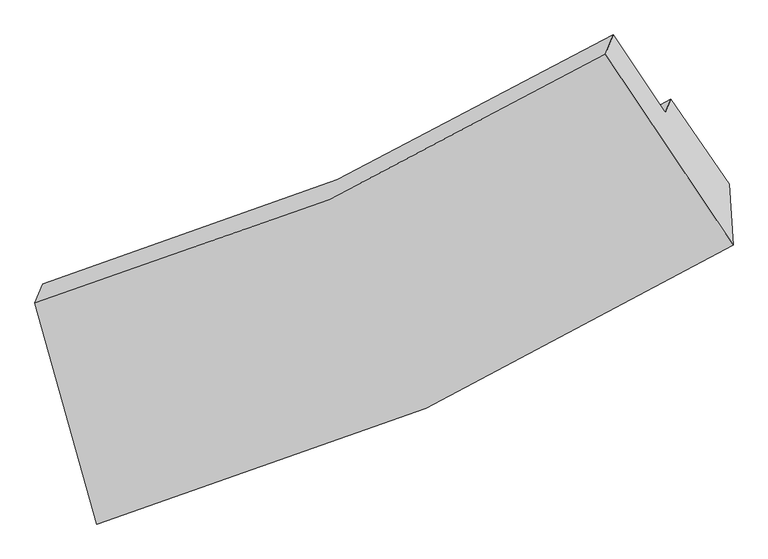
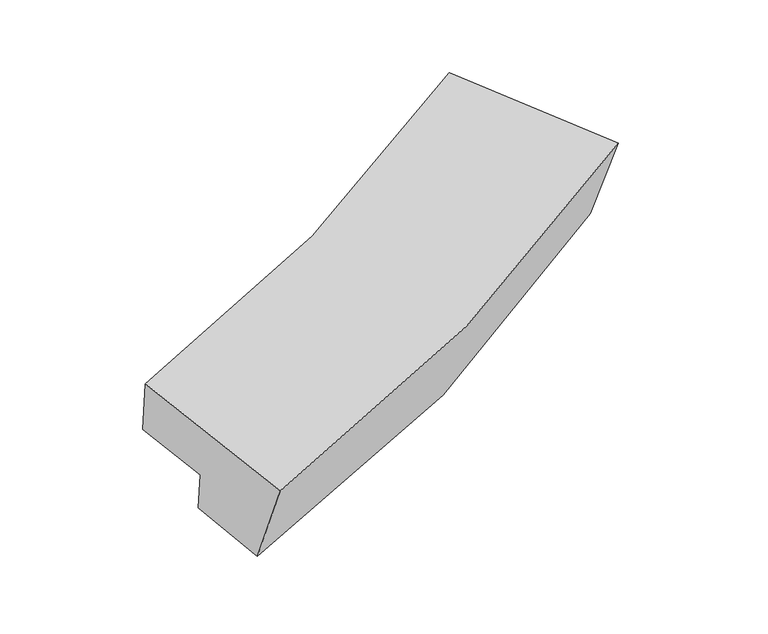
"""IFC4 building model written with IfcOpenShell, lengths in millimetres: proxy geometry."""

from ifc_helpers import new_model, si_unit, frame, origin, place, context, project, spatial, source, transform, mapped, element, save
from ifc_brep_helpers import plane_surface, spline_curve, spline_surface, advanced_brep


def generic_models_c1887b4c(model_context):
    return source(origin(), model_context, "Body", "AdvancedBrep", [
        advanced_brep(
        [(-1806.7610072, -3363.3684616, 1911.1331246), (-1773.1966975, -2943.5094343, 1010.0406501), (2308.3480492, -1147.748801, 1808.162872), (2334.9333884, -1544.9517437, 2724.4630756), (-2210.3059397, -1924.4517817, 2214.8545185), (1503.5843993, -303.4412975, 2941.1175363), (-2160.2271966, -1797.9097289, 1681.8843336), (1553.9882081, -176.0778487, 2404.6877932), (-1988.2195533, -2411.2358968, 1552.4256365), (1893.7069087, -683.4030769, 2316.1550917), (-1951.8621942, -2319.3658821, 1165.4872421), (1928.9696524, -594.299004, 1940.8662991)],
        [
            (0, 1),
            (1, 2, spline_curve(3, [(-1773.1966975, -2943.5094343, 1010.0406501), (-1041.339638893, -2758.742043823, 1133.227872489), (-335.477173408, -2516.83988196, 1261.287400691), (1025.102301856, -1918.394903448, 1527.316040408), (1679.754752309, -1561.710187446, 1665.297252833), (2308.3480492, -1147.748801, 1808.162872)], [4, 2, 4], [0.0, 7.507319230809467, 15.023955219462128])),
            (2, 3),
            (3, 0, spline_curve(3, [(2334.9333884, -1544.9517437, 2724.4630756), (1691.738069483, -1951.505596125, 2577.482062901), (1024.770446018, -2306.379191003, 2436.175546601), (-355.853246613, -2912.390062592, 2165.079621258), (-1069.450421949, -3163.655373625, 2035.276153849), (-1806.7610072, -3363.3684616, 1911.1331246)], [4, 2, 4], [0.0, 7.51663598865266, 15.023955219462128])),
            (4, 0),
            (3, 5),
            (5, 4, spline_curve(3, [(1503.5843993, -303.4412975, 2941.1175363), (924.506297218, -662.883699231, 2811.346659629), (325.271969315, -977.745247696, 2685.904454408), (-912.741412592, -1517.971629626, 2443.827505804), (-1551.470531112, -1743.446909029, 2327.182038366), (-2210.3059397, -1924.4517817, 2214.8545185)], [4, 2, 4], [0.0, 7.172532173613587, 14.336174100914201])),
            (6, 4),
            (5, 7),
            (7, 6, spline_curve(3, [(1553.9882081, -176.0778487, 2404.6877932), (975.130363776, -534.963689223, 2272.57279104), (375.978974151, -849.615664336, 2146.247904251), (-862.143103223, -1390.116704663, 1905.327762195), (-1501.06351526, -1616.075356277, 1790.718162518), (-2160.2271966, -1797.9097289, 1681.8843336)], [4, 2, 4], [0.0, 6.7746807932097495, 13.54096447093984])),
            (8, 6),
            (7, 9),
            (9, 8, spline_curve(3, [(1893.7069087, -683.4030769, 2316.1550917), (1298.713599599, -1074.037315343, 2156.485486925), (677.50622003, -1413.398016066, 2012.977111686), (-616.53421103, -1989.215262806, 1758.440664996), (-1289.30231862, -2225.798835124, 1647.372555179), (-1988.2195533, -2411.2358968, 1552.4256365)], [4, 2, 4], [0.0, 6.945572078519214, 13.882535224367523])),
            (10, 8),
            (9, 11),
            (11, 10, spline_curve(3, [(1928.9696524, -594.299004, 1940.8662991), (1332.820874433, -987.8529527, 1793.493938168), (711.127449719, -1328.441822198, 1655.158367258), (-582.546451013, -1903.332897217, 1396.721069646), (-1254.463642017, -2137.766320506, 1276.596954926), (-1951.8621942, -2319.3658821, 1165.4872421)], [4, 2, 4], [0.0, 7.114224134032698, 14.219630293695072])),
            (1, 10),
            (11, 2),
        ],
        [
            spline_surface(3, 3, [[(-1806.7610072, -3363.3684616, 1911.1331246), (-1069.450422019, -3163.655373563, 2035.276153768), (-355.853246715, -2912.390062565, 2165.079621193), (1024.77044612, -2306.379191029, 2436.175546666), (1691.738069363, -1951.505596027, 2577.482062916), (2334.9333884, -1544.9517437, 2724.4630756)], [(-1795.57290395, -3223.415452514, 1610.768966445), (-1060.080160924, -3028.684263688, 1734.593393317), (-349.061222322, -2780.540002388, 1863.815547655), (1024.881064693, -2177.051095153, 2133.22237792), (1687.743630313, -1821.573793175, 2273.420459583), (2326.071608673, -1412.550762777, 2419.029674425)], [(-1784.38480075, -3083.462443386, 1310.404808255), (-1050.709899877, -2893.713153771, 1433.910632831), (-342.269197857, -2648.689942197, 1562.551474163), (1024.991683339, -2047.722999265, 1830.26920922), (1683.749191244, -1691.641990393, 1969.358856176), (2317.209828927, -1280.149781923, 2113.596273175)], [(-1773.1966975, -2943.5094343, 1010.0406501), (-1041.339638782, -2758.742043896, 1133.22787238), (-335.477173464, -2516.839882019, 1261.287400625), (1025.102301912, -1918.394903389, 1527.316040474), (1679.754752194, -1561.710187541, 1665.297252843), (2308.3480492, -1147.748801, 1808.162872)]], [4, 4], [4, 2, 4], [0.0, 3.2395982512280845], [0.0, 7.507319230809467, 15.023955219462128]),
            spline_surface(3, 3, [[(-2210.3059397, -1924.4517817, 2214.8545185), (-1551.470531141, -1743.446909133, 2327.182038329), (-912.741412661, -1517.971629645, 2443.827505802), (325.271969385, -977.745247677, 2685.904454411), (924.506297242, -662.88369912, 2811.346659526), (1503.5843993, -303.4412975, 2941.1175363)], [(-2075.790962207, -2404.09067499, 2113.614053853), (-1390.797161441, -2216.849730599, 2229.880076795), (-727.112023998, -1982.777773962, 2350.911544275), (558.438128311, -1420.623228805, 2602.661485173), (1180.250221271, -1092.424331439, 2733.391793965), (1780.700728988, -717.278112917, 2868.899382709)], [(-1941.275984693, -2883.72956831, 2012.373589247), (-1230.123791719, -2690.252552096, 2132.578115303), (-541.482635378, -2447.583918248, 2257.995582719), (791.604287194, -1863.501209901, 2519.418515905), (1435.994145334, -1521.964963708, 2655.436928477), (2057.817058712, -1131.114928283, 2796.681229191)], [(-1806.7610072, -3363.3684616, 1911.1331246), (-1069.450422019, -3163.655373563, 2035.276153768), (-355.853246715, -2912.390062565, 2165.079621193), (1024.77044612, -2306.379191029, 2436.175546666), (1691.738069363, -1951.505596027, 2577.482062916), (2334.9333884, -1544.9517437, 2724.4630756)]], [4, 4], [4, 2, 4], [0.0, 4.9952797730892025], [0.0, 7.163641927300614, 14.336174100914201]),
            spline_surface(3, 3, [[(-2160.2271966, -1797.9097289, 1681.8843336), (-1501.063515183, -1616.075356255, 1790.718162595), (-862.143103275, -1390.116704641, 1905.327762265), (375.978974204, -849.615664358, 2146.247904181), (975.130363867, -534.963689281, 2272.572791024), (1553.9882081, -176.0778487, 2404.6877932)], [(-2176.920110956, -1840.090413168, 1859.541061909), (-1517.865853825, -1658.532540549, 1969.539454516), (-879.009206396, -1432.735012948, 2084.827676768), (359.076639272, -892.325525437, 2326.133420916), (958.255675003, -577.603692573, 2452.16408053), (1537.186938511, -218.532331646, 2583.497707572)], [(-2193.613025344, -1882.271097432, 2037.197790191), (-1534.668192499, -1700.989724839, 2148.360746409), (-895.87530954, -1475.353321338, 2264.327591298), (342.174304317, -935.035386599, 2506.018937677), (941.380986106, -620.243695828, 2631.75537002), (1520.385668889, -260.986814554, 2762.307621928)], [(-2210.3059397, -1924.4517817, 2214.8545185), (-1551.470531141, -1743.446909133, 2327.182038329), (-912.741412661, -1517.971629645, 2443.827505802), (325.271969385, -977.745247677, 2685.904454411), (924.506297242, -662.88369912, 2811.346659526), (1503.5843993, -303.4412975, 2941.1175363)]], [4, 4], [4, 2, 4], [0.0, 1.8253791791324236], [0.0, 6.766283677730091, 13.54096447093984]),
            spline_surface(3, 3, [[(-1988.2195533, -2411.2358968, 1552.4256365), (-1289.302318681, -2225.798835161, 1647.372555236), (-616.534210981, -1989.215262697, 1758.440664986), (677.506219982, -1413.398016175, 2012.977111696), (1298.713599602, -1074.037315369, 2156.485486975), (1893.7069087, -683.4030769, 2316.1550917)], [(-2045.555434403, -2206.793840826, 1595.578535545), (-1359.889384185, -2022.557675518, 1695.154424367), (-698.403841769, -1789.515743362, 1807.403030748), (576.997138032, -1225.470565586, 2057.400709193), (1190.852521012, -894.346106659, 2195.181254995), (1780.467341821, -514.294667486, 2345.665992204)], [(-2102.891315497, -2002.351784874, 1638.731434555), (-1430.47644968, -1819.316515898, 1742.936293463), (-780.273472487, -1589.816223976, 1856.365396503), (476.488056153, -1037.543114946, 2101.824306684), (1082.991442457, -714.65489799, 2233.877023004), (1667.227774979, -345.186258114, 2375.176892696)], [(-2160.2271966, -1797.9097289, 1681.8843336), (-1501.063515183, -1616.075356255, 1790.718162595), (-862.143103275, -1390.116704641, 1905.327762265), (375.978974204, -849.615664358, 2146.247904181), (975.130363867, -534.963689281, 2272.572791024), (1553.9882081, -176.0778487, 2404.6877932)]], [4, 4], [4, 2, 4], [0.0, 2.15769974113047], [0.0, 6.936963145848309, 13.882535224367523]),
            spline_surface(3, 3, [[(-1951.8621942, -2319.3658821, 1165.4872421), (-1254.463641923, -2137.766320551, 1276.596954845), (-582.54645099, -1903.332897327, 1396.721069648), (711.127449695, -1328.441822088, 1655.158367256), (1332.820874331, -987.85295264, 1793.49393814), (1928.9696524, -594.299004, 1940.8662991)], [(-1963.981313919, -2349.989220335, 1294.466706876), (-1266.076534194, -2167.11049209, 1400.188821618), (-593.875704289, -1931.960352439, 1517.294268097), (699.920373155, -1356.760553439, 1774.431282071), (1321.45178276, -1016.58107355, 1914.49112109), (1917.215404506, -624.000361634, 2065.962563305)], [(-1976.100433581, -2380.612558565, 1423.446171724), (-1277.68942641, -2196.454663622, 1523.780688463), (-605.204957682, -1960.587807585, 1637.867466538), (688.713296522, -1385.079284824, 1893.70419688), (1310.082691173, -1045.309194458, 2035.488304026), (1905.461156594, -653.701719266, 2191.058827495)], [(-1988.2195533, -2411.2358968, 1552.4256365), (-1289.302318681, -2225.798835161, 1647.372555236), (-616.534210981, -1989.215262697, 1758.440664986), (677.506219982, -1413.398016175, 2012.977111696), (1298.713599602, -1074.037315369, 2156.485486975), (1893.7069087, -683.4030769, 2316.1550917)]], [4, 4], [4, 2, 4], [0.0, 1.2182090543842927], [0.0, 7.105406159662374, 14.219630293695072]),
            spline_surface(3, 3, [[(-1773.1966975, -2943.5094343, 1010.0406501), (-1041.339638782, -2758.742043896, 1133.22787238), (-335.477173464, -2516.839882019, 1261.287400625), (1025.102301912, -1918.394903389, 1527.316040474), (1679.754752194, -1561.710187541, 1665.297252843), (2308.3480492, -1147.748801, 1808.162872)], [(-1832.751863065, -2735.461583567, 1061.856180772), (-1112.38097316, -2551.750136115, 1181.01756654), (-417.833599312, -2312.337553795, 1306.431956976), (920.444017834, -1721.743876296, 1569.930149411), (1564.11012624, -1370.424442581, 1708.029481261), (2181.888583601, -963.265535341, 1852.397347685)], [(-1892.307028635, -2527.413732833, 1113.671711428), (-1183.422307545, -2344.758228333, 1228.807260685), (-500.190025143, -2107.835225551, 1351.576513297), (815.785733773, -1525.092849181, 1612.544258319), (1448.465500284, -1179.138697599, 1750.761709722), (2055.429117999, -778.782269659, 1896.631823415)], [(-1951.8621942, -2319.3658821, 1165.4872421), (-1254.463641923, -2137.766320551, 1276.596954845), (-582.54645099, -1903.332897327, 1396.721069648), (711.127449695, -1328.441822088, 1655.158367256), (1332.820874331, -987.85295264, 1793.49393814), (1928.9696524, -594.299004, 1940.8662991)]], [4, 4], [4, 2, 4], [0.0, 2.220585001104281], [0.0, 7.280746223343773, 14.570528022156651]),
            plane_surface(frame((1920.5884343, -741.6536286, 2355.908778), z_axis=(0.8297611341089578, 0.5204604313309803, 0.20153758890337625), x_axis=(-0.5506433356841184, 0.8223134476642042, 0.14350090821063652))),
            plane_surface(frame((-1981.7620981, -2459.9735309, 1589.3042509), z_axis=(-0.9600451095074732, -0.2382637970119954, -0.1467778959660157), x_axis=(-0.03374403988716925, -0.42210728802796293, 0.9059176436993439))),
        ],
        [
            (0, [[1, 2, 3, 4]]),
            (1, [[5, -4, 6, 7]]),
            (2, [[8, -7, 9, 10]]),
            (3, [[11, -10, 12, 13]]),
            (4, [[14, -13, 15, 16]]),
            (5, [[17, -16, 18, -2]]),
            (6, [[-12, -9, -6, -3, -18, -15]]),
            (7, [[-1, -5, -8, -11, -14, -17]]),
        ],
    ),
    ])


if __name__ == "__main__":
    model = new_model("IFC4")
    model_context = context("Model", 3, world=origin())
    ifc_project = project(units=[si_unit("LENGTHUNIT", "METRE", prefix="MILLI")], contexts=[model_context])
    site = spatial("IfcSite", under=ifc_project)
    building = spatial("IfcBuilding", under=site)
    placement = place(None, origin())
    generic_models_shape = generic_models_c1887b4c(model_context)
    element("IfcBuildingElementProxy", 1, Name="Generic Models", at=placement, inside=building, context=model_context, shape_type="MappedRepresentation", body=[
        mapped(generic_models_shape, transform((0.0, 0.0, 0.0), x_axis=(1.0, 0.0, 0.0), y_axis=(0.0, 1.0, 0.0), z_axis=(0.0, 0.0, 1.0))),
    ])
    save(model, "model.ifc")
